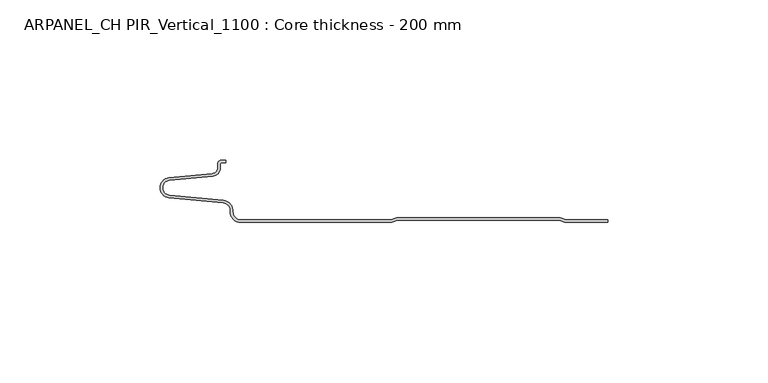
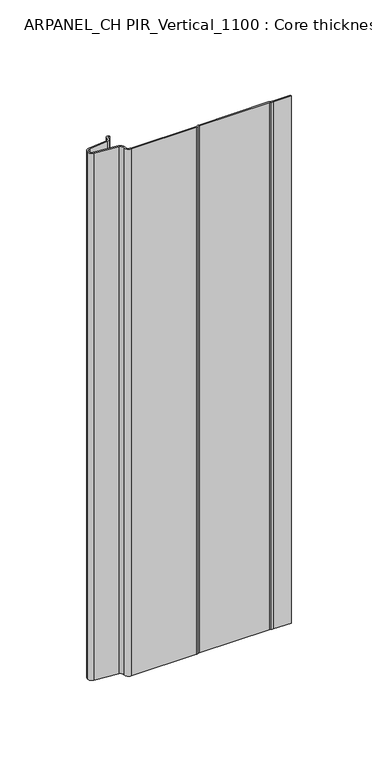
"""IFC4 building model written with IfcOpenShell, lengths in millimetres: plate geometry, ARPANEL_CH PIR_Vertical_1100 : Core thickness - 200 mm."""

from ifc_helpers import new_model, si_unit, frame, origin, place, context, project, spatial, polyline, circle_curve, source, transform, mapped, element, save
from ifc_brep_helpers import plane_surface, cylinder_surface, revolved_surface, advanced_brep


def arpanel_ch_pir_vertical_1100_core_thickness_200_mm_06a2a89c(model_context):
    return source(origin(), model_context, "Body", "AdvancedBrep", [
        advanced_brep(
        [(2.9978051, -198.9028991, 0.0), (4.4172165, -198.4996949, 0.0), (54.5769997, -198.4996949, 0.0), (55.9964111, -198.9028991, 0.0), (57.0487965, -199.2, 0.0), (69.9999998, -199.2, 0.0), (69.9999998, -199.9996949, 0.0), (57.0487965, -199.9996949, 0.0), (55.6294634, -199.5965392, 0.0), (54.5769997, -199.2996949, 0.0), (4.4172165, -199.2996949, 0.0), (3.3658586, -199.5983288, 0.0), (1.9454197, -199.9996949, 0.0), (-44.8000003, -199.9996949, 0.0), (-47.9923632, -196.5787437, 0.0), (-50.2560431, -193.9171154, 0.0), (-67.2115315, -192.2546153, 0.0), (-69.9999998, -189.1776715, 0.0), (-67.2115315, -186.1007278, 0.0), (-53.6195785, -184.7680252, 0.0), (-51.9952277, -182.9766159, 0.0), (-51.9952277, -181.8996949, 0.0), (-50.5952277, -180.4996949, 0.0), (-49.4952277, -180.4996949, 0.0), (-49.4952277, -181.2996949, 0.0), (-50.5952277, -181.2996949, 0.0), (-51.1952277, -181.8996949, 0.0), (-51.1952277, -182.9766159, 0.0), (-53.5415122, -185.5642071, 0.0), (-67.1334652, -186.8969097, 0.0), (-69.1999997, -189.1776715, 0.0), (-67.1334652, -191.4584333, 0.0), (-50.1779767, -193.1209335, 0.0), (-47.2078761, -196.6330399, 0.0), (-44.8000003, -199.1996949, 0.0), (1.9454197, -199.2, 0.0), (2.9968355, -198.9013303, 400.0), (1.9454197, -199.2, 400.0), (-44.8000003, -199.2, 400.0), (-47.1942724, -196.6339815, 400.0), (-50.1779767, -193.1209335, 400.0), (-67.1334652, -191.4584333, 400.0), (-69.1999997, -189.1776715, 400.0), (-67.1334652, -186.8969097, 400.0), (-53.5415122, -185.5642071, 400.0), (-51.1952277, -182.9766159, 400.0), (-51.1952277, -181.8996949, 400.0), (-50.5952277, -181.2996949, 400.0), (-49.4952277, -181.2996949, 400.0), (-49.4952277, -180.4996949, 400.0), (-50.5952277, -180.4996949, 400.0), (-51.9952277, -181.8996949, 400.0), (-51.9952277, -182.9766159, 400.0), (-53.6195785, -184.7680252, 400.0), (-67.2115315, -186.1007278, 400.0), (-69.9999998, -189.1776715, 400.0), (-67.2115315, -192.2546153, 400.0), (-50.2560431, -193.9171154, 400.0), (-48.0059668, -196.5778021, 400.0), (-44.8000003, -199.9996949, 400.0), (1.9454197, -199.9996949, 400.0), (3.3647528, -199.5965392, 400.0), (4.4172165, -199.2996949, 400.0), (54.5769997, -199.2996949, 400.0), (55.6283575, -199.5983288, 400.0), (57.0487965, -199.9996949, 400.0), (69.9999998, -199.9996949, 400.0), (69.9999998, -199.2, 400.0), (57.0487965, -199.2, 400.0), (55.9973806, -198.9013303, 400.0), (54.5769997, -198.4996949, 400.0), (4.4172165, -198.4996949, 400.0)],
        [
            (0, 1, circle_curve(frame((4.4172165, -201.1996949, 0.0), z_axis=(0.0, 0.0, -1.0), x_axis=(1.0, 0.0, 0.0)), 2.7)),
            (1, 2),
            (2, 3, circle_curve(frame((54.5769997, -201.1996949, 0.0), z_axis=(0.0, 0.0, -1.0), x_axis=(1.0, 0.0, 0.0)), 2.7)),
            (3, 4, circle_curve(frame((57.0487965, -197.2, 0.0), z_axis=(0.0, 0.0, 1.0), x_axis=(1.0, 0.0, 0.0)), 2.0)),
            (4, 5),
            (5, 6),
            (6, 7),
            (7, 8, circle_curve(frame((57.0487965, -197.2996949, 0.0), z_axis=(0.0, 0.0, -1.0), x_axis=(1.0, 0.0, 0.0)), 2.7)),
            (8, 9, circle_curve(frame((54.5769997, -201.2996949, 0.0), z_axis=(0.0, 0.0, 1.0), x_axis=(1.0, 0.0, 0.0)), 2.0)),
            (9, 10),
            (10, 11, circle_curve(frame((4.4172165, -201.2996949, 0.0), z_axis=(0.0, 0.0, 1.0), x_axis=(1.0, 0.0, 0.0)), 2.0)),
            (11, 12, circle_curve(frame((1.9454197, -197.2996949, 0.0), z_axis=(0.0, 0.0, -1.0), x_axis=(1.0, 0.0, 0.0)), 2.7)),
            (12, 13),
            (13, 14, circle_curve(frame((-44.8000003, -196.7996949, 0.0), z_axis=(0.0, 0.0, -1.0), x_axis=(1.0, 0.0, 0.0)), 3.2)),
            (14, 15, circle_curve(frame((-50.5000003, -196.4051839, 0.0), z_axis=(0.0, 0.0, 1.0), x_axis=(1.0, 0.0, 0.0)), 2.5)),
            (15, 16),
            (16, 17, circle_curve(frame((-66.9100003, -189.1793626, 0.0), z_axis=(0.0, 0.0, -1.0), x_axis=(1.0, 0.0, 0.0)), 3.09)),
            (17, 18, circle_curve(frame((-66.9100003, -189.1759805, 0.0), z_axis=(0.0, 0.0, -1.0), x_axis=(1.0, 0.0, 0.0)), 3.09)),
            (18, 19),
            (19, 20, circle_curve(frame((-53.7952277, -182.9766159, 0.0), z_axis=(0.0, 0.0, 1.0), x_axis=(1.0, 0.0, 0.0)), 1.8)),
            (20, 21),
            (21, 22, circle_curve(frame((-50.5952277, -181.8996949, 0.0), z_axis=(0.0, 0.0, -1.0), x_axis=(1.0, 0.0, 0.0)), 1.4)),
            (22, 23),
            (23, 24),
            (24, 25),
            (25, 26, circle_curve(frame((-50.5952277, -181.8996949, 0.0), z_axis=(0.0, 0.0, 1.0), x_axis=(1.0, 0.0, 0.0)), 0.6)),
            (26, 27),
            (27, 28, circle_curve(frame((-53.7952277, -182.9766159, 0.0), z_axis=(0.0, 0.0, -1.0), x_axis=(1.0, 0.0, 0.0)), 2.6)),
            (28, 29),
            (29, 30, circle_curve(frame((-66.9100003, -189.1759805, 0.0), z_axis=(0.0, 0.0, 1.0), x_axis=(1.0, 0.0, 0.0)), 2.29)),
            (30, 31, circle_curve(frame((-66.9100003, -189.1793626, 0.0), z_axis=(0.0, 0.0, 1.0), x_axis=(1.0, 0.0, 0.0)), 2.29)),
            (31, 32),
            (32, 33, circle_curve(frame((-50.5000003, -196.4051839, 0.0), z_axis=(0.0, 0.0, -1.0), x_axis=(1.0, 0.0, 0.0)), 3.3)),
            (33, 34, circle_curve(frame((-44.8000003, -196.7996949, 0.0), z_axis=(0.0, 0.0, 1.0), x_axis=(1.0, 0.0, 0.0)), 2.4)),
            (34, 35),
            (35, 0, circle_curve(frame((1.9454197, -197.2, 0.0), z_axis=(0.0, 0.0, 1.0), x_axis=(1.0, 0.0, 0.0)), 2.0)),
            (36, 37, circle_curve(frame((1.9454197, -197.2, 400.0), z_axis=(0.0, 0.0, -1.0), x_axis=(1.0, 0.0, 0.0)), 2.0)),
            (37, 38),
            (38, 39, circle_curve(frame((-44.8000003, -196.7996949, 400.0), z_axis=(0.0, 0.0, -1.0), x_axis=(1.0, 0.0, 0.0)), 2.4)),
            (39, 40, circle_curve(frame((-50.5000003, -196.4051839, 400.0), z_axis=(0.0, 0.0, 1.0), x_axis=(1.0, 0.0, 0.0)), 3.3)),
            (40, 41),
            (41, 42, circle_curve(frame((-66.9100003, -189.1793626, 400.0), z_axis=(0.0, 0.0, -1.0), x_axis=(1.0, 0.0, 0.0)), 2.29)),
            (42, 43, circle_curve(frame((-66.9100003, -189.1759805, 400.0), z_axis=(0.0, 0.0, -1.0), x_axis=(1.0, 0.0, 0.0)), 2.29)),
            (43, 44),
            (44, 45, circle_curve(frame((-53.7952277, -182.9766159, 400.0), z_axis=(0.0, 0.0, 1.0), x_axis=(1.0, 0.0, 0.0)), 2.6)),
            (45, 46),
            (46, 47, circle_curve(frame((-50.5952277, -181.8996949, 400.0), z_axis=(0.0, 0.0, -1.0), x_axis=(1.0, 0.0, 0.0)), 0.6)),
            (47, 48),
            (48, 49),
            (49, 50),
            (50, 51, circle_curve(frame((-50.5952277, -181.8996949, 400.0), z_axis=(0.0, 0.0, 1.0), x_axis=(1.0, 0.0, 0.0)), 1.4)),
            (51, 52),
            (52, 53, circle_curve(frame((-53.7952277, -182.9766159, 400.0), z_axis=(0.0, 0.0, -1.0), x_axis=(1.0, 0.0, 0.0)), 1.8)),
            (53, 54),
            (54, 55, circle_curve(frame((-66.9100003, -189.1759805, 400.0), z_axis=(0.0, 0.0, 1.0), x_axis=(1.0, 0.0, 0.0)), 3.09)),
            (55, 56, circle_curve(frame((-66.9100003, -189.1793626, 400.0), z_axis=(0.0, 0.0, 1.0), x_axis=(1.0, 0.0, 0.0)), 3.09)),
            (56, 57),
            (57, 58, circle_curve(frame((-50.5000003, -196.4051839, 400.0), z_axis=(0.0, 0.0, -1.0), x_axis=(1.0, 0.0, 0.0)), 2.5)),
            (58, 59, circle_curve(frame((-44.8000003, -196.7996949, 400.0), z_axis=(0.0, 0.0, 1.0), x_axis=(1.0, 0.0, 0.0)), 3.2)),
            (59, 60),
            (60, 61, circle_curve(frame((1.9454197, -197.2996949, 400.0), z_axis=(0.0, 0.0, 1.0), x_axis=(1.0, 0.0, 0.0)), 2.7)),
            (61, 62, circle_curve(frame((4.4172165, -201.2996949, 400.0), z_axis=(0.0, 0.0, -1.0), x_axis=(1.0, 0.0, 0.0)), 2.0)),
            (62, 63),
            (63, 64, circle_curve(frame((54.5769997, -201.2996949, 400.0), z_axis=(0.0, 0.0, -1.0), x_axis=(1.0, 0.0, 0.0)), 2.0)),
            (64, 65, circle_curve(frame((57.0487965, -197.2996949, 400.0), z_axis=(0.0, 0.0, 1.0), x_axis=(1.0, 0.0, 0.0)), 2.7)),
            (65, 66),
            (66, 67),
            (67, 68),
            (68, 69, circle_curve(frame((57.0487965, -197.2, 400.0), z_axis=(0.0, 0.0, -1.0), x_axis=(1.0, 0.0, 0.0)), 2.0)),
            (69, 70, circle_curve(frame((54.5769997, -201.1996949, 400.0), z_axis=(0.0, 0.0, 1.0), x_axis=(1.0, 0.0, 0.0)), 2.7)),
            (70, 71),
            (71, 36, circle_curve(frame((4.4172165, -201.1996949, 400.0), z_axis=(0.0, 0.0, 1.0), x_axis=(1.0, 0.0, 0.0)), 2.7)),
            (35, 37),
            (36, 0),
            (34, 38),
            (33, 39),
            (32, 40),
            (31, 41),
            (30, 42),
            (29, 43),
            (28, 44),
            (27, 45),
            (26, 46),
            (25, 47),
            (24, 48),
            (23, 49),
            (22, 50),
            (21, 51),
            (20, 52),
            (19, 53),
            (18, 54),
            (17, 55),
            (16, 56),
            (15, 57),
            (14, 58),
            (13, 59),
            (12, 60),
            (11, 61),
            (10, 62),
            (9, 63),
            (8, 64),
            (7, 65),
            (6, 66),
            (4, 68),
            (67, 5),
            (3, 69),
            (2, 70),
            (1, 71),
        ],
        [
            plane_surface(frame((-69.9999998, -200.0, 0.0), z_axis=(0.0, 0.0, -1.0), x_axis=(0.0, 1.0, 0.0))),
            plane_surface(frame((-69.9999998, -200.0, 400.0), z_axis=(0.0, 0.0, 1.0), x_axis=(0.0, 1.0, 0.0))),
            revolved_surface(polyline([(3.9454197, -197.2, 400.0), (3.9454197, -197.2, 0.0)]), (1.9454197, -197.2, 0.0), (0.0, 0.0, 1.0)),
            plane_surface(frame((-44.8000003, -199.2, 0.0), z_axis=(0.0, 1.0, 0.0), x_axis=(0.0, 0.0, 1.0))),
            revolved_surface(polyline([(-42.4000003, -196.7996949, 400.0), (-42.4000003, -196.7996949, 0.0)]), (-44.8000003, -196.7996949, 0.0), (0.0, 0.0, 1.0)),
            cylinder_surface(frame((-50.5000003, -196.4051839, 0.0), z_axis=(0.0, 0.0, -1.0), x_axis=(1.0, 0.0, 0.0)), 3.3),
            plane_surface(frame((-67.1334652, -191.4584333, 0.0), z_axis=(0.09758289975914758, 0.9952273999818314, 0.0), x_axis=(0.0, 0.0, 1.0))),
            revolved_surface(polyline([(-64.62000029999999, -189.1793626, 400.0), (-64.62000029999999, -189.1793626, 0.0)]), (-66.9100003, -189.1793626, 0.0), (0.0, 0.0, 1.0)),
            revolved_surface(polyline([(-64.62000029999999, -189.1759805, 400.0), (-64.62000029999999, -189.1759805, 0.0)]), (-66.9100003, -189.1759805, 0.0), (0.0, 0.0, 1.0)),
            plane_surface(frame((-53.5415122, -185.5642071, 0.0), z_axis=(0.09758289975914383, -0.9952273999818317, 0.0), x_axis=(0.0, 0.0, 1.0))),
            cylinder_surface(frame((-53.7952277, -182.9766159, 0.0), z_axis=(0.0, 0.0, -1.0), x_axis=(1.0, 0.0, 0.0)), 2.6),
            plane_surface(frame((-51.1952277, -181.8996949, 0.0), z_axis=(1.0, 0.0, 0.0), x_axis=(0.0, 0.0, 1.0))),
            revolved_surface(polyline([(-49.9952277, -181.8996949, 400.0), (-49.9952277, -181.8996949, 0.0)]), (-50.5952277, -181.8996949, 0.0), (0.0, 0.0, 1.0)),
            plane_surface(frame((-49.4952277, -181.2996949, 0.0), z_axis=(0.0, -1.0, 0.0), x_axis=(0.0, 0.0, 1.0))),
            plane_surface(frame((-49.4952277, -180.4996949, 0.0), z_axis=(1.0, 0.0, 0.0), x_axis=(0.0, 0.0, 1.0))),
            plane_surface(frame((-50.5952277, -180.4996949, 0.0), z_axis=(0.0, 1.0, 0.0), x_axis=(0.0, 0.0, 1.0))),
            cylinder_surface(frame((-50.5952277, -181.8996949, 0.0), z_axis=(0.0, 0.0, -1.0), x_axis=(1.0, 0.0, 0.0)), 1.4),
            plane_surface(frame((-51.9952277, -182.9766159, 0.0), z_axis=(-1.0, 0.0, 0.0), x_axis=(0.0, 0.0, 1.0))),
            revolved_surface(polyline([(-51.9952277, -182.9766159, 400.0), (-51.9952277, -182.9766159, 0.0)]), (-53.7952277, -182.9766159, 0.0), (0.0, 0.0, 1.0)),
            plane_surface(frame((-67.2115315, -186.1007278, 0.0), z_axis=(-0.09758289975914387, 0.9952273999818317, 0.0), x_axis=(0.0, 0.0, 1.0))),
            cylinder_surface(frame((-66.9100003, -189.1759805, 0.0), z_axis=(0.0, 0.0, -1.0), x_axis=(1.0, 0.0, 0.0)), 3.09),
            cylinder_surface(frame((-66.9100003, -189.1793626, 0.0), z_axis=(0.0, 0.0, -1.0), x_axis=(1.0, 0.0, 0.0)), 3.09),
            plane_surface(frame((-50.2560431, -193.9171154, 0.0), z_axis=(-0.09758289975914762, -0.9952273999818314, 0.0), x_axis=(0.0, 0.0, 1.0))),
            revolved_surface(polyline([(-48.0000003, -196.4051839, 400.0), (-48.0000003, -196.4051839, 0.0)]), (-50.5000003, -196.4051839, 0.0), (0.0, 0.0, 1.0)),
            cylinder_surface(frame((-44.8000003, -196.7996949, 0.0), z_axis=(0.0, 0.0, -1.0), x_axis=(1.0, 0.0, 0.0)), 3.2),
            plane_surface(frame((1.9454197, -199.9996949, 0.0), z_axis=(0.0, -1.0, 0.0), x_axis=(0.0, 0.0, 1.0))),
            cylinder_surface(frame((1.9454197, -197.2996949, 0.0), z_axis=(0.0, 0.0, -1.0), x_axis=(1.0, 0.0, 0.0)), 2.7),
            revolved_surface(polyline([(6.4172165, -201.2996949, 400.0), (6.4172165, -201.2996949, 0.0)]), (4.4172165, -201.2996949, 0.0), (0.0, 0.0, 1.0)),
            plane_surface(frame((54.5769997, -199.2996949, 0.0), z_axis=(0.0, -1.0, 0.0), x_axis=(0.0, 0.0, 1.0))),
            revolved_surface(polyline([(56.5769997, -201.2996949, 400.0), (56.5769997, -201.2996949, 0.0)]), (54.5769997, -201.2996949, 0.0), (0.0, 0.0, 1.0)),
            cylinder_surface(frame((57.0487965, -197.2996949, 0.0), z_axis=(0.0, 0.0, -1.0), x_axis=(1.0, 0.0, 0.0)), 2.7),
            plane_surface(frame((107.2085797, -199.9996949, 0.0), z_axis=(0.0, -1.0, 0.0), x_axis=(0.0, 0.0, 1.0))),
            plane_surface(frame((57.0487965, -199.2, 0.0), z_axis=(0.0, 1.0, 0.0), x_axis=(0.0, 0.0, 1.0))),
            revolved_surface(polyline([(59.0487965, -197.2, 400.0), (59.0487965, -197.2, 0.0)]), (57.0487965, -197.2, 0.0), (0.0, 0.0, 1.0)),
            cylinder_surface(frame((54.5769997, -201.1996949, 0.0), z_axis=(0.0, 0.0, -1.0), x_axis=(1.0, 0.0, 0.0)), 2.7),
            plane_surface(frame((4.4172165, -198.4996949, 0.0), z_axis=(0.0, 1.0, 0.0), x_axis=(0.0, 0.0, 1.0))),
            cylinder_surface(frame((4.4172165, -201.1996949, 0.0), z_axis=(0.0, 0.0, -1.0), x_axis=(1.0, 0.0, 0.0)), 2.7),
            plane_surface(frame((69.9999998, 180.0, 400.0), z_axis=(1.0, 0.0, 0.0), x_axis=(0.0, 0.0, -1.0))),
        ],
        [
            (0, [[1, 2, 3, 4, 5, 6, 7, 8, 9, 10, 11, 12, 13, 14, 15, 16, 17, 18, 19, 20, 21, 22, 23, 24, 25, 26, 27, 28, 29, 30, 31, 32, 33, 34, 35, 36]]),
            (1, [[37, 38, 39, 40, 41, 42, 43, 44, 45, 46, 47, 48, 49, 50, 51, 52, 53, 54, 55, 56, 57, 58, 59, 60, 61, 62, 63, 64, 65, 66, 67, 68, 69, 70, 71, 72]]),
            (2, [[-36, 73, -37, 74]]),
            (3, [[-35, 75, -38, -73]]),
            (4, [[-34, 76, -39, -75]]),
            (5, [[-33, 77, -40, -76]]),
            (6, [[-32, 78, -41, -77]]),
            (7, [[-31, 79, -42, -78]]),
            (8, [[-30, 80, -43, -79]]),
            (9, [[-29, 81, -44, -80]]),
            (10, [[-28, 82, -45, -81]]),
            (11, [[-27, 83, -46, -82]]),
            (12, [[-26, 84, -47, -83]]),
            (13, [[-25, 85, -48, -84]]),
            (14, [[-24, 86, -49, -85]]),
            (15, [[-23, 87, -50, -86]]),
            (16, [[-22, 88, -51, -87]]),
            (17, [[-21, 89, -52, -88]]),
            (18, [[-20, 90, -53, -89]]),
            (19, [[-19, 91, -54, -90]]),
            (20, [[-18, 92, -55, -91]]),
            (21, [[-17, 93, -56, -92]]),
            (22, [[-16, 94, -57, -93]]),
            (23, [[-15, 95, -58, -94]]),
            (24, [[-14, 96, -59, -95]]),
            (25, [[-13, 97, -60, -96]]),
            (26, [[-12, 98, -61, -97]]),
            (27, [[-11, 99, -62, -98]]),
            (28, [[-10, 100, -63, -99]]),
            (29, [[-9, 101, -64, -100]]),
            (30, [[-8, 102, -65, -101]]),
            (31, [[-102, -7, 103, -66]]),
            (32, [[104, -68, 105, -5]]),
            (33, [[-4, 106, -69, -104]]),
            (34, [[-3, 107, -70, -106]]),
            (35, [[-2, 108, -71, -107]]),
            (36, [[-1, -74, -72, -108]]),
            (37, [[-6, -105, -67, -103]]),
        ],
    ),
    ])


if __name__ == "__main__":
    model = new_model("IFC4")
    model_context = context("Model", 3, world=origin())
    ifc_project = project(units=[si_unit("LENGTHUNIT", "METRE", prefix="MILLI")], contexts=[model_context])
    site = spatial("IfcSite", under=ifc_project)
    building = spatial("IfcBuilding", under=site)
    placement = place(None, origin())
    arpanel_ch_pir_vertical_1100_core_thickness_200_mm_shape = arpanel_ch_pir_vertical_1100_core_thickness_200_mm_06a2a89c(model_context)
    element("IfcPlate", 1, ObjectType="ARPANEL_CH PIR_Vertical_1100 : Core thickness - 200 mm", at=placement, inside=building, context=model_context, shape_type="MappedRepresentation", body=[
        mapped(arpanel_ch_pir_vertical_1100_core_thickness_200_mm_shape, transform((0.0, 0.0, 0.0), x_axis=(1.0, 0.0, 0.0), y_axis=(0.0, 1.0, 0.0), z_axis=(0.0, 0.0, 1.0))),
    ])
    save(model, "model.ifc")
